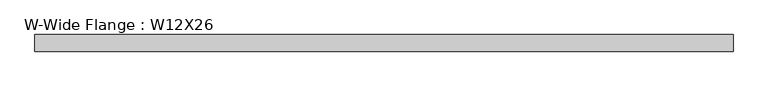
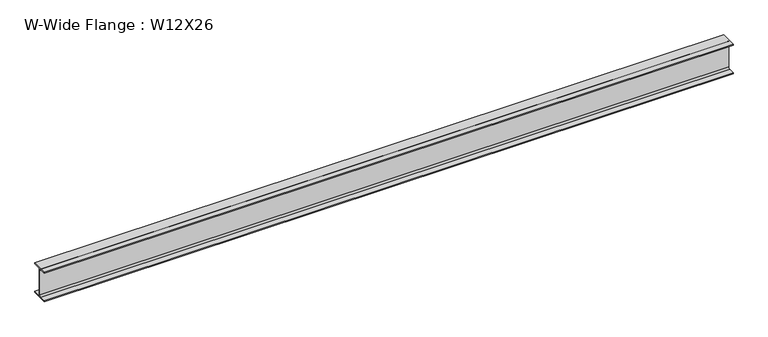
"""IFC4 building model written with IfcOpenShell, lengths in millimetres: beam geometry, W-Wide Flange : W12X26."""

from ifc_helpers import new_model, si_unit, point, frame, frame_2d, origin, place, context, project, spatial, polyline, circle_curve, trimmed, segment, composite_curve, outline, extrude, source, transform, mapped, element, save


def w_wide_flange_w12x26_2a02e2bb(model_context):
    return source(origin(), model_context, "Body", "SweptSolid", [
        extrude(outline(composite_curve([segment(polyline([(82.4011719, -145.5539063), (82.4011719, -155.178125), (-82.4011719, -155.178125), (-82.4011719, -145.5539063), (-20.2902344, -145.5539063)]), True, "CONTINUOUS"), segment(trimmed(circle_curve(frame_2d((-20.2902344, -128.190625)), 17.3632812), [point((-20.2902344, -145.5539063))], [point((-2.9269531, -128.190625))], True, "CARTESIAN"), True, "CONTINUOUS"), segment(polyline([(-2.9269531, -128.190625), (-2.9269531, 128.190625)]), True, "CONTINUOUS"), segment(trimmed(circle_curve(frame_2d((-20.2902344, 128.190625)), 17.3632812), [point((-2.9269531, 128.190625))], [point((-20.2902344, 145.5539062))], True, "CARTESIAN"), True, "CONTINUOUS"), segment(polyline([(-20.2902344, 145.5539062), (-82.4011719, 145.5539062), (-82.4011719, 155.178125), (82.4011719, 155.178125), (82.4011719, 145.5539062), (20.2902344, 145.5539062)]), True, "CONTINUOUS"), segment(trimmed(circle_curve(frame_2d((20.2902344, 128.190625)), 17.3632812), [point((20.2902344, 145.5539062))], [point((2.9269531, 128.190625))], True, "CARTESIAN"), True, "CONTINUOUS"), segment(polyline([(2.9269531, 128.190625), (2.9269531, -128.190625)]), True, "CONTINUOUS"), segment(trimmed(circle_curve(frame_2d((20.2902344, -128.190625)), 17.3632812), [point((2.9269531, -128.190625))], [point((20.2902344, -145.5539063))], True, "CARTESIAN"), True, "CONTINUOUS"), segment(polyline([(20.2902344, -145.5539063), (82.4011719, -145.5539063)]), True, "CONTINUOUS")], self_intersect=False)), frame((-3444.875, 0.0, 0.0), z_axis=(1.0, 0.0, 0.0), x_axis=(0.0, 1.0, 0.0)), (0.0, 0.0, 1.0), 6902.45),
    ])


if __name__ == "__main__":
    model = new_model("IFC4")
    model_context = context("Model", 3, world=origin())
    ifc_project = project(units=[si_unit("LENGTHUNIT", "METRE", prefix="MILLI")], contexts=[model_context])
    site = spatial("IfcSite", under=ifc_project)
    building = spatial("IfcBuilding", under=site)
    placement = place(None, origin())
    w_wide_flange_w12x26_shape = w_wide_flange_w12x26_2a02e2bb(model_context)
    element("IfcBeam", 1, ObjectType="W-Wide Flange : W12X26", at=placement, inside=building, context=model_context, shape_type="MappedRepresentation", body=[
        mapped(w_wide_flange_w12x26_shape, transform((0.0, 0.0, 0.0), x_axis=(1.0, 0.0, 0.0), y_axis=(0.0, 1.0, 0.0), z_axis=(0.0, 0.0, 1.0))),
    ])
    save(model, "model.ifc")
